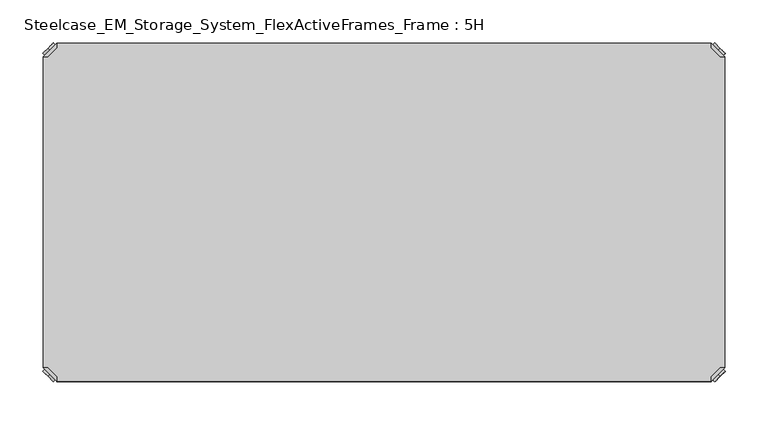
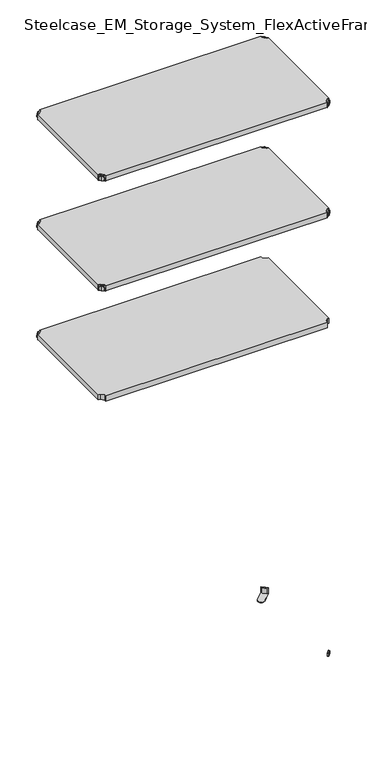
"""IFC4 building model written with IfcOpenShell, lengths in millimetres: furniture geometry, Steelcase_EM_Storage_System_FlexActiveFrames_Frame : 5H."""

from ifc_helpers import new_model, si_unit, frame, origin, place, context, project, spatial, polyline, circle_curve, outline, extrude, source, transform, mapped, element, save
from ifc_brep_helpers import plane_surface, cylinder_surface, advanced_brep


def steelcase_em_storage_system_flexactiveframes_frame_5h_9645780c(model_context):
    return source(origin(), model_context, "Body", "SolidModel", [
        advanced_brep(
        [(10.9601551, -10.9601551, 1298.5), (10.9601551, -10.9601551, 1315.5), (10.9601551, -10.9601551, 1307.0), (8.8388348, -8.8388348, 1298.5), (8.8388348, -8.8388348, 1315.5), (8.8388348, -8.8388348, 1307.0)],
        [
            (0, 1, circle_curve(frame((10.9601551, -10.9601551, 1307.0), z_axis=(0.7071067811865464, -0.7071067811865487, 0.0), x_axis=(0.0, 0.0, 1.0)), 8.5)),
            (1, 2),
            (2, 0),
            (1, 0, circle_curve(frame((10.9601551, -10.9601551, 1307.0), z_axis=(0.7071067811865464, -0.7071067811865487, 0.0), x_axis=(0.0, 0.0, 1.0)), 8.5)),
            (3, 4, circle_curve(frame((8.8388348, -8.8388348, 1307.0), z_axis=(0.7071067811865464, -0.7071067811865487, 0.0), x_axis=(0.0, 0.0, 1.0)), 8.5)),
            (4, 1),
            (0, 3),
            (4, 3, circle_curve(frame((8.8388348, -8.8388348, 1307.0), z_axis=(0.7071067811865464, -0.7071067811865487, 0.0), x_axis=(0.0, 0.0, 1.0)), 8.5)),
            (5, 4),
            (3, 5),
        ],
        [
            plane_surface(frame((10.9601551, -10.9601551, 1307.0), z_axis=(0.707106781186546, -0.7071067811865491, 0.0), x_axis=(0.0, 0.0, 1.0))),
            cylinder_surface(frame((8.8388348, -8.8388348, 1307.0), z_axis=(-0.7071067811865464, 0.7071067811865487, 0.0), x_axis=(0.0, 0.0, 1.0)), 8.5),
            plane_surface(frame((8.8388348, -8.8388348, 1307.0), z_axis=(-0.707106781186546, 0.7071067811865491, 0.0), x_axis=(0.0, 0.0, 1.0))),
        ],
        [
            (0, [[1, 2, 3]]),
            (0, [[4, -3, -2]]),
            (1, [[5, 6, -1, 7]]),
            (1, [[8, -7, -4, -6]]),
            (2, [[9, -5, 10]]),
            (2, [[-10, -8, -9]]),
        ],
    ),
        advanced_brep(
        [(18.9203102, -3.0, 1317.0), (3.0, -18.9203102, 1317.0), (8.6568542, -18.9203102, 1317.0), (18.9203102, -8.6568542, 1317.0), (18.9203102, -3.0, 1298.0), (18.9203102, -3.0, 1297.0), (3.0, -18.9203102, 1297.0), (3.0, -18.9203102, 1298.0), (8.6568542, -18.9203102, 1298.0), (18.9203102, -8.6568542, 1298.0), (31.8093975, -47.7297077, 1298.0), (47.7297077, -31.8093975, 1298.0), (47.7297077, -31.8093975, 1297.0), (31.8093975, -47.7297077, 1297.0)],
        [
            (0, 1),
            (1, 2),
            (2, 3),
            (3, 0),
            (0, 4),
            (4, 5),
            (5, 6),
            (6, 7),
            (7, 1),
            (2, 8),
            (8, 9),
            (9, 3),
            (9, 4),
            (7, 8),
            (7, 10),
            (10, 11, circle_curve(frame((39.7695526, -39.7695526, 1298.0), z_axis=(0.0, 0.0, 1.0), x_axis=(1.0, 0.0, 0.0)), 11.2573593)),
            (11, 4),
            (5, 12),
            (12, 13, circle_curve(frame((39.7695526, -39.7695526, 1297.0), z_axis=(0.0, 0.0, -1.0), x_axis=(1.0, 0.0, 0.0)), 11.2573593)),
            (13, 6),
            (13, 10),
            (12, 11),
        ],
        [
            plane_surface(frame((-38.8756299, -60.7959401, 1317.0), z_axis=(0.0, 0.0, 1.0000000000000002), x_axis=(-0.7071067811865557, -0.7071067811865395, 0.0))),
            plane_surface(frame((18.9203102, -3.0, 1317.0), z_axis=(-0.7071067811865395, 0.7071067811865557, 0.0), x_axis=(0.0, 0.0, -1.0))),
            plane_surface(frame((8.6568542, -18.9203102, 1317.0), z_axis=(0.7071067811865481, -0.7071067811865469, 0.0), x_axis=(0.0, 0.0, -1.0))),
            plane_surface(frame((18.9203102, -8.6568542, 1317.0), z_axis=(1.0, 0.0, 0.0), x_axis=(0.0, 0.0, -1.0))),
            plane_surface(frame((3.0, -18.9203102, 1317.0), z_axis=(0.0, -1.0, 0.0), x_axis=(0.0, 0.0, -1.0))),
            plane_surface(frame((3.0, -18.9203102, 1298.0), z_axis=(0.0, 0.0, 1.0), x_axis=(-0.7071067811865485, -0.7071067811865466, 0.0))),
            plane_surface(frame((3.0, -18.9203102, 1297.0), z_axis=(0.0, 0.0, -1.0), x_axis=(0.7071067811865485, 0.7071067811865466, 0.0))),
            plane_surface(frame((3.0, -18.9203102, 1298.0), z_axis=(-0.7071067811865491, -0.707106781186546, 0.0), x_axis=(0.0, 0.0, -1.0))),
            cylinder_surface(frame((39.7695526, -39.7695526, 1297.0), z_axis=(0.0, 0.0, 1.0), x_axis=(1.0, 0.0, 0.0)), 11.2573593),
            plane_surface(frame((47.7297077, -31.8093975, 1298.0), z_axis=(0.707106781186548, 0.7071067811865471, 0.0), x_axis=(0.0, 0.0, -1.0))),
        ],
        [
            (0, [[1, 2, 3, 4]]),
            (1, [[-1, 5, 6, 7, 8, 9]]),
            (2, [[-3, 10, 11, 12]]),
            (3, [[-4, -12, 13, -5]]),
            (4, [[-2, -9, 14, -10]]),
            (5, [[15, 16, 17, -13, -11, -14]]),
            (6, [[18, 19, 20, -7]]),
            (7, [[-15, -8, -20, 21]]),
            (8, [[-16, -21, -19, 22]]),
            (9, [[-17, -22, -18, -6]]),
        ],
    ),
        extrude(outline(polyline([(781.0796898, -3.0), (781.0796898, -8.6568542), (791.3431458, -18.9203102), (797.0, -18.9203102), (797.0, -381.0796898), (791.3431458, -381.0796898), (781.0796898, -391.3431458), (781.0796898, -397.0), (18.9203102, -397.0), (18.9203102, -391.3431458), (8.6568542, -381.0796898), (3.0, -381.0796898), (3.0, -18.9203102), (8.6568542, -18.9203102), (18.9203102, -8.6568542), (18.9203102, -3.0), (781.0796898, -3.0)])), frame((0.0, 0.0, 1298.0), z_axis=(0.0, 0.0, 1.0), x_axis=(1.0, 0.0, 0.0)), (0.0, 0.0, 1.0), 19.0),
        advanced_brep(
        [(789.0398449, -10.9601551, 1698.5), (789.0398449, -10.9601551, 1707.0), (789.0398449, -10.9601551, 1715.5), (791.1611652, -8.8388348, 1698.5), (791.1611652, -8.8388348, 1715.5), (791.1611652, -8.8388348, 1707.0)],
        [
            (0, 1),
            (1, 2),
            (2, 0, circle_curve(frame((789.0398449, -10.9601551, 1707.0), z_axis=(-0.7071067811865556, -0.7071067811865395, 0.0), x_axis=(0.0, 0.0, 1.0)), 8.5)),
            (0, 2, circle_curve(frame((789.0398449, -10.9601551, 1707.0), z_axis=(-0.7071067811865556, -0.7071067811865395, 0.0), x_axis=(0.0, 0.0, 1.0)), 8.5)),
            (3, 0),
            (2, 4),
            (4, 3, circle_curve(frame((791.1611652, -8.8388348, 1707.0), z_axis=(-0.7071067811865556, -0.7071067811865395, 0.0), x_axis=(0.0, 0.0, 1.0)), 8.5)),
            (3, 4, circle_curve(frame((791.1611652, -8.8388348, 1707.0), z_axis=(-0.7071067811865556, -0.7071067811865395, 0.0), x_axis=(0.0, 0.0, 1.0)), 8.5)),
            (5, 3),
            (4, 5),
        ],
        [
            plane_surface(frame((789.0398449, -10.9601551, 1707.0), z_axis=(-0.7071067811865552, -0.7071067811865399, 0.0), x_axis=(0.0, 0.0, 1.0))),
            cylinder_surface(frame((791.1611652, -8.8388348, 1707.0), z_axis=(0.7071067811865556, 0.7071067811865395, 0.0), x_axis=(0.0, 0.0, 1.0)), 8.5),
            plane_surface(frame((791.1611652, -8.8388348, 1707.0), z_axis=(0.7071067811865552, 0.7071067811865399, 0.0), x_axis=(0.0, 0.0, 1.0))),
        ],
        [
            (0, [[1, 2, 3]]),
            (0, [[-2, -1, 4]]),
            (1, [[5, -3, 6, 7]]),
            (1, [[-6, -4, -5, 8]]),
            (2, [[9, -7, 10]]),
            (2, [[-10, -8, -9]]),
        ],
    ),
        advanced_brep(
        [(781.0796898, -3.0, 1717.0), (781.0796898, -8.6568542, 1717.0), (791.3431458, -18.9203102, 1717.0), (797.0, -18.9203102, 1717.0), (797.0, -18.9203102, 1698.0), (797.0, -18.9203102, 1697.0), (781.0796898, -3.0, 1697.0), (781.0796898, -3.0, 1698.0), (781.0796898, -8.6568542, 1698.0), (791.3431458, -18.9203102, 1698.0), (752.2702923, -31.8093975, 1698.0), (768.1906025, -47.7297077, 1698.0), (768.1906025, -47.7297077, 1697.0), (752.2702923, -31.8093975, 1697.0)],
        [
            (0, 1),
            (1, 2),
            (2, 3),
            (3, 0),
            (3, 4),
            (4, 5),
            (5, 6),
            (6, 7),
            (7, 0),
            (1, 8),
            (8, 9),
            (9, 2),
            (7, 8),
            (9, 4),
            (7, 10),
            (10, 11, circle_curve(frame((760.2304474, -39.7695526, 1698.0), z_axis=(0.0, 0.0, 1.0), x_axis=(-1.0, 0.0, 0.0)), 11.2573593)),
            (11, 4),
            (5, 12),
            (12, 13, circle_curve(frame((760.2304474, -39.7695526, 1697.0), z_axis=(0.0, 0.0, -1.0), x_axis=(-1.0, 0.0, 0.0)), 11.2573593)),
            (13, 6),
            (11, 12),
            (10, 13),
        ],
        [
            plane_surface(frame((838.8756299, -60.7959401, 1717.0), z_axis=(0.0, 0.0, 1.0000000000000002), x_axis=(0.7071067811865465, -0.7071067811865487, 0.0))),
            plane_surface(frame((781.0796898, -3.0, 1717.0), z_axis=(0.7071067811865487, 0.7071067811865465, 0.0), x_axis=(0.0, 0.0, -1.0))),
            plane_surface(frame((791.3431458, -18.9203102, 1717.0), z_axis=(-0.7071067811865573, -0.7071067811865377, 0.0), x_axis=(0.0, 0.0, -1.0))),
            plane_surface(frame((781.0796898, -8.6568542, 1717.0), z_axis=(-1.0, 0.0, 0.0), x_axis=(0.0, 0.0, -1.0))),
            plane_surface(frame((797.0, -18.9203102, 1717.0), z_axis=(0.0, -1.0, 0.0), x_axis=(0.0, 0.0, -1.0))),
            plane_surface(frame((797.0, -18.9203102, 1698.0), z_axis=(0.0, 0.0, 1.0), x_axis=(0.7071067811865392, -0.7071067811865558, 0.0))),
            plane_surface(frame((797.0, -18.9203102, 1697.0), z_axis=(0.0, 0.0, -1.0), x_axis=(-0.7071067811865392, 0.7071067811865558, 0.0))),
            plane_surface(frame((797.0, -18.9203102, 1698.0), z_axis=(0.7071067811865399, -0.7071067811865552, 0.0), x_axis=(0.0, 0.0, -1.0))),
            cylinder_surface(frame((760.2304474, -39.7695526, 1697.0), z_axis=(0.0, 0.0, 1.0), x_axis=(-1.0, 0.0, 0.0)), 11.2573593),
            plane_surface(frame((752.2702923, -31.8093975, 1698.0), z_axis=(-0.7071067811865388, 0.7071067811865563, 0.0), x_axis=(0.0, 0.0, -1.0))),
        ],
        [
            (0, [[1, 2, 3, 4]]),
            (1, [[5, 6, 7, 8, 9, -4]]),
            (2, [[10, 11, 12, -2]]),
            (3, [[-9, 13, -10, -1]]),
            (4, [[-12, 14, -5, -3]]),
            (5, [[-14, -11, -13, 15, 16, 17]]),
            (6, [[-7, 18, 19, 20]]),
            (7, [[21, -18, -6, -17]]),
            (8, [[22, -19, -21, -16]]),
            (9, [[-8, -20, -22, -15]]),
        ],
    ),
        advanced_brep(
        [(789.0398449, -389.0398449, 1698.5), (789.0398449, -389.0398449, 1715.5), (789.0398449, -389.0398449, 1707.0), (791.1611652, -391.1611652, 1698.5), (791.1611652, -391.1611652, 1715.5), (791.1611652, -391.1611652, 1707.0)],
        [
            (0, 1, circle_curve(frame((789.0398449, -389.0398449, 1707.0), z_axis=(-0.7071067811865509, 0.7071067811865441, 0.0), x_axis=(0.0, 0.0, 1.0)), 8.5)),
            (1, 2),
            (2, 0),
            (1, 0, circle_curve(frame((789.0398449, -389.0398449, 1707.0), z_axis=(-0.7071067811865509, 0.7071067811865441, 0.0), x_axis=(0.0, 0.0, 1.0)), 8.5)),
            (3, 4, circle_curve(frame((791.1611652, -391.1611652, 1707.0), z_axis=(-0.7071067811865509, 0.7071067811865441, 0.0), x_axis=(0.0, 0.0, 1.0)), 8.5)),
            (4, 1),
            (0, 3),
            (4, 3, circle_curve(frame((791.1611652, -391.1611652, 1707.0), z_axis=(-0.7071067811865509, 0.7071067811865441, 0.0), x_axis=(0.0, 0.0, 1.0)), 8.5)),
            (5, 4),
            (3, 5),
        ],
        [
            plane_surface(frame((789.0398449, -389.0398449, 1707.0), z_axis=(-0.7071067811865506, 0.7071067811865446, 0.0), x_axis=(0.0, 0.0, 1.0))),
            cylinder_surface(frame((791.1611652, -391.1611652, 1707.0), z_axis=(0.7071067811865509, -0.7071067811865441, 0.0), x_axis=(0.0, 0.0, 1.0)), 8.5),
            plane_surface(frame((791.1611652, -391.1611652, 1707.0), z_axis=(0.7071067811865506, -0.7071067811865446, 0.0), x_axis=(0.0, 0.0, 1.0))),
        ],
        [
            (0, [[1, 2, 3]]),
            (0, [[4, -3, -2]]),
            (1, [[5, 6, -1, 7]]),
            (1, [[8, -7, -4, -6]]),
            (2, [[9, -5, 10]]),
            (2, [[-10, -8, -9]]),
        ],
    ),
        advanced_brep(
        [(781.0796898, -397.0, 1717.0), (797.0, -381.0796898, 1717.0), (791.3431458, -381.0796898, 1717.0), (781.0796898, -391.3431458, 1717.0), (781.0796898, -397.0, 1698.0), (781.0796898, -397.0, 1697.0), (797.0, -381.0796898, 1697.0), (797.0, -381.0796898, 1698.0), (791.3431458, -381.0796898, 1698.0), (781.0796898, -391.3431458, 1698.0), (768.1906025, -352.2702923, 1698.0), (752.2702923, -368.1906025, 1698.0), (752.2702923, -368.1906025, 1697.0), (768.1906025, -352.2702923, 1697.0)],
        [
            (0, 1),
            (1, 2),
            (2, 3),
            (3, 0),
            (0, 4),
            (4, 5),
            (5, 6),
            (6, 7),
            (7, 1),
            (2, 8),
            (8, 9),
            (9, 3),
            (9, 4),
            (7, 8),
            (7, 10),
            (10, 11, circle_curve(frame((760.2304474, -360.2304474, 1698.0), z_axis=(0.0, 0.0, 1.0), x_axis=(-1.0, 0.0, 0.0)), 11.2573593)),
            (11, 4),
            (5, 12),
            (12, 13, circle_curve(frame((760.2304474, -360.2304474, 1697.0), z_axis=(0.0, 0.0, -1.0), x_axis=(-1.0, 0.0, 0.0)), 11.2573593)),
            (13, 6),
            (13, 10),
            (12, 11),
        ],
        [
            plane_surface(frame((838.8756299, -339.2040599, 1717.0), z_axis=(0.0, 0.0, 1.0000000000000002), x_axis=(0.7071067811865511, 0.707106781186544, 0.0))),
            plane_surface(frame((781.0796898, -397.0, 1717.0), z_axis=(0.707106781186544, -0.7071067811865511, 0.0), x_axis=(0.0, 0.0, -1.0))),
            plane_surface(frame((791.3431458, -381.0796898, 1717.0), z_axis=(-0.7071067811865527, 0.7071067811865424, 0.0), x_axis=(0.0, 0.0, -1.0))),
            plane_surface(frame((781.0796898, -391.3431458, 1717.0), z_axis=(-1.0, 0.0, 0.0), x_axis=(0.0, 0.0, -1.0))),
            plane_surface(frame((797.0, -381.0796898, 1717.0), z_axis=(0.0, 1.0, 0.0), x_axis=(0.0, 0.0, -1.0))),
            plane_surface(frame((797.0, -381.0796898, 1698.0), z_axis=(0.0, 0.0, 1.0), x_axis=(0.7071067811865439, 0.7071067811865511, 0.0))),
            plane_surface(frame((797.0, -381.0796898, 1697.0), z_axis=(0.0, 0.0, -1.0), x_axis=(-0.7071067811865439, -0.7071067811865511, 0.0))),
            plane_surface(frame((797.0, -381.0796898, 1698.0), z_axis=(0.7071067811865446, 0.7071067811865506, 0.0), x_axis=(0.0, 0.0, -1.0))),
            cylinder_surface(frame((760.2304474, -360.2304474, 1697.0), z_axis=(0.0, 0.0, 1.0), x_axis=(-1.0, 0.0, 0.0)), 11.2573593),
            plane_surface(frame((752.2702923, -368.1906025, 1698.0), z_axis=(-0.7071067811865435, -0.7071067811865517, 0.0), x_axis=(0.0, 0.0, -1.0))),
        ],
        [
            (0, [[1, 2, 3, 4]]),
            (1, [[-1, 5, 6, 7, 8, 9]]),
            (2, [[-3, 10, 11, 12]]),
            (3, [[-4, -12, 13, -5]]),
            (4, [[-2, -9, 14, -10]]),
            (5, [[15, 16, 17, -13, -11, -14]]),
            (6, [[18, 19, 20, -7]]),
            (7, [[-15, -8, -20, 21]]),
            (8, [[-16, -21, -19, 22]]),
            (9, [[-17, -22, -18, -6]]),
        ],
    ),
        advanced_brep(
        [(10.9601551, -389.0398449, 1698.5), (10.9601551, -389.0398449, 1707.0), (10.9601551, -389.0398449, 1715.5), (8.8388348, -391.1611652, 1698.5), (8.8388348, -391.1611652, 1715.5), (8.8388348, -391.1611652, 1707.0)],
        [
            (0, 1),
            (1, 2),
            (2, 0, circle_curve(frame((10.9601551, -389.0398449, 1707.0), z_axis=(0.7071067811865509, 0.7071067811865441, 0.0), x_axis=(0.0, 0.0, 1.0)), 8.5)),
            (0, 2, circle_curve(frame((10.9601551, -389.0398449, 1707.0), z_axis=(0.7071067811865509, 0.7071067811865441, 0.0), x_axis=(0.0, 0.0, 1.0)), 8.5)),
            (3, 0),
            (2, 4),
            (4, 3, circle_curve(frame((8.8388348, -391.1611652, 1707.0), z_axis=(0.7071067811865509, 0.7071067811865441, 0.0), x_axis=(0.0, 0.0, 1.0)), 8.5)),
            (3, 4, circle_curve(frame((8.8388348, -391.1611652, 1707.0), z_axis=(0.7071067811865509, 0.7071067811865441, 0.0), x_axis=(0.0, 0.0, 1.0)), 8.5)),
            (5, 3),
            (4, 5),
        ],
        [
            plane_surface(frame((10.9601551, -389.0398449, 1707.0), z_axis=(0.7071067811865506, 0.7071067811865446, 0.0), x_axis=(0.0, 0.0, 1.0))),
            cylinder_surface(frame((8.8388348, -391.1611652, 1707.0), z_axis=(-0.7071067811865509, -0.7071067811865441, 0.0), x_axis=(0.0, 0.0, 1.0)), 8.5),
            plane_surface(frame((8.8388348, -391.1611652, 1707.0), z_axis=(-0.7071067811865506, -0.7071067811865446, 0.0), x_axis=(0.0, 0.0, 1.0))),
        ],
        [
            (0, [[1, 2, 3]]),
            (0, [[-2, -1, 4]]),
            (1, [[5, -3, 6, 7]]),
            (1, [[-6, -4, -5, 8]]),
            (2, [[9, -7, 10]]),
            (2, [[-10, -8, -9]]),
        ],
    ),
        advanced_brep(
        [(18.9203102, -397.0, 1717.0), (18.9203102, -391.3431458, 1717.0), (8.6568542, -381.0796898, 1717.0), (3.0, -381.0796898, 1717.0), (3.0, -381.0796898, 1698.0), (3.0, -381.0796898, 1697.0), (18.9203102, -397.0, 1697.0), (18.9203102, -397.0, 1698.0), (18.9203102, -391.3431458, 1698.0), (8.6568542, -381.0796898, 1698.0), (47.7297077, -368.1906025, 1698.0), (31.8093975, -352.2702923, 1698.0), (31.8093975, -352.2702923, 1697.0), (47.7297077, -368.1906025, 1697.0)],
        [
            (0, 1),
            (1, 2),
            (2, 3),
            (3, 0),
            (3, 4),
            (4, 5),
            (5, 6),
            (6, 7),
            (7, 0),
            (1, 8),
            (8, 9),
            (9, 2),
            (7, 8),
            (9, 4),
            (7, 10),
            (10, 11, circle_curve(frame((39.7695526, -360.2304474, 1698.0), z_axis=(0.0, 0.0, 1.0), x_axis=(1.0, 0.0, 0.0)), 11.2573593)),
            (11, 4),
            (5, 12),
            (12, 13, circle_curve(frame((39.7695526, -360.2304474, 1697.0), z_axis=(0.0, 0.0, -1.0), x_axis=(1.0, 0.0, 0.0)), 11.2573593)),
            (13, 6),
            (11, 12),
            (10, 13),
        ],
        [
            plane_surface(frame((-38.8756299, -339.2040599, 1717.0), z_axis=(0.0, 0.0, 1.0000000000000002), x_axis=(-0.7071067811865511, 0.707106781186544, 0.0))),
            plane_surface(frame((18.9203102, -397.0, 1717.0), z_axis=(-0.707106781186544, -0.7071067811865511, 0.0), x_axis=(0.0, 0.0, -1.0))),
            plane_surface(frame((8.6568542, -381.0796898, 1717.0), z_axis=(0.7071067811865527, 0.7071067811865424, 0.0), x_axis=(0.0, 0.0, -1.0))),
            plane_surface(frame((18.9203102, -391.3431458, 1717.0), z_axis=(1.0, 0.0, 0.0), x_axis=(0.0, 0.0, -1.0))),
            plane_surface(frame((3.0, -381.0796898, 1717.0), z_axis=(0.0, 1.0, 0.0), x_axis=(0.0, 0.0, -1.0))),
            plane_surface(frame((3.0, -381.0796898, 1698.0), z_axis=(0.0, 0.0, 1.0), x_axis=(-0.7071067811865439, 0.7071067811865511, 0.0))),
            plane_surface(frame((3.0, -381.0796898, 1697.0), z_axis=(0.0, 0.0, -1.0), x_axis=(0.7071067811865439, -0.7071067811865511, 0.0))),
            plane_surface(frame((3.0, -381.0796898, 1698.0), z_axis=(-0.7071067811865446, 0.7071067811865506, 0.0), x_axis=(0.0, 0.0, -1.0))),
            cylinder_surface(frame((39.7695526, -360.2304474, 1697.0), z_axis=(0.0, 0.0, 1.0), x_axis=(1.0, 0.0, 0.0)), 11.2573593),
            plane_surface(frame((47.7297077, -368.1906025, 1698.0), z_axis=(0.7071067811865435, -0.7071067811865517, 0.0), x_axis=(0.0, 0.0, -1.0))),
        ],
        [
            (0, [[1, 2, 3, 4]]),
            (1, [[5, 6, 7, 8, 9, -4]]),
            (2, [[10, 11, 12, -2]]),
            (3, [[-9, 13, -10, -1]]),
            (4, [[-12, 14, -5, -3]]),
            (5, [[-14, -11, -13, 15, 16, 17]]),
            (6, [[-7, 18, 19, 20]]),
            (7, [[21, -18, -6, -17]]),
            (8, [[22, -19, -21, -16]]),
            (9, [[-8, -20, -22, -15]]),
        ],
    ),
        advanced_brep(
        [(10.9601551, -10.9601551, 1698.5), (10.9601551, -10.9601551, 1715.5), (10.9601551, -10.9601551, 1707.0), (8.8388348, -8.8388348, 1698.5), (8.8388348, -8.8388348, 1715.5), (8.8388348, -8.8388348, 1707.0)],
        [
            (0, 1, circle_curve(frame((10.9601551, -10.9601551, 1707.0), z_axis=(0.7071067811865464, -0.7071067811865487, 0.0), x_axis=(0.0, 0.0, 1.0)), 8.5)),
            (1, 2),
            (2, 0),
            (1, 0, circle_curve(frame((10.9601551, -10.9601551, 1707.0), z_axis=(0.7071067811865464, -0.7071067811865487, 0.0), x_axis=(0.0, 0.0, 1.0)), 8.5)),
            (3, 4, circle_curve(frame((8.8388348, -8.8388348, 1707.0), z_axis=(0.7071067811865464, -0.7071067811865487, 0.0), x_axis=(0.0, 0.0, 1.0)), 8.5)),
            (4, 1),
            (0, 3),
            (4, 3, circle_curve(frame((8.8388348, -8.8388348, 1707.0), z_axis=(0.7071067811865464, -0.7071067811865487, 0.0), x_axis=(0.0, 0.0, 1.0)), 8.5)),
            (5, 4),
            (3, 5),
        ],
        [
            plane_surface(frame((10.9601551, -10.9601551, 1707.0), z_axis=(0.707106781186546, -0.7071067811865491, 0.0), x_axis=(0.0, 0.0, 1.0))),
            cylinder_surface(frame((8.8388348, -8.8388348, 1707.0), z_axis=(-0.7071067811865464, 0.7071067811865487, 0.0), x_axis=(0.0, 0.0, 1.0)), 8.5),
            plane_surface(frame((8.8388348, -8.8388348, 1707.0), z_axis=(-0.707106781186546, 0.7071067811865491, 0.0), x_axis=(0.0, 0.0, 1.0))),
        ],
        [
            (0, [[1, 2, 3]]),
            (0, [[4, -3, -2]]),
            (1, [[5, 6, -1, 7]]),
            (1, [[8, -7, -4, -6]]),
            (2, [[9, -5, 10]]),
            (2, [[-10, -8, -9]]),
        ],
    ),
        advanced_brep(
        [(18.9203102, -3.0, 1717.0), (3.0, -18.9203102, 1717.0), (8.6568542, -18.9203102, 1717.0), (18.9203102, -8.6568542, 1717.0), (18.9203102, -3.0, 1698.0), (18.9203102, -3.0, 1697.0), (3.0, -18.9203102, 1697.0), (3.0, -18.9203102, 1698.0), (8.6568542, -18.9203102, 1698.0), (18.9203102, -8.6568542, 1698.0), (31.8093975, -47.7297077, 1698.0), (47.7297077, -31.8093975, 1698.0), (47.7297077, -31.8093975, 1697.0), (31.8093975, -47.7297077, 1697.0)],
        [
            (0, 1),
            (1, 2),
            (2, 3),
            (3, 0),
            (0, 4),
            (4, 5),
            (5, 6),
            (6, 7),
            (7, 1),
            (2, 8),
            (8, 9),
            (9, 3),
            (9, 4),
            (7, 8),
            (7, 10),
            (10, 11, circle_curve(frame((39.7695526, -39.7695526, 1698.0), z_axis=(0.0, 0.0, 1.0), x_axis=(1.0, 0.0, 0.0)), 11.2573593)),
            (11, 4),
            (5, 12),
            (12, 13, circle_curve(frame((39.7695526, -39.7695526, 1697.0), z_axis=(0.0, 0.0, -1.0), x_axis=(1.0, 0.0, 0.0)), 11.2573593)),
            (13, 6),
            (13, 10),
            (12, 11),
        ],
        [
            plane_surface(frame((-38.8756299, -60.7959401, 1717.0), z_axis=(0.0, 0.0, 1.0000000000000002), x_axis=(-0.7071067811865557, -0.7071067811865395, 0.0))),
            plane_surface(frame((18.9203102, -3.0, 1717.0), z_axis=(-0.7071067811865395, 0.7071067811865557, 0.0), x_axis=(0.0, 0.0, -1.0))),
            plane_surface(frame((8.6568542, -18.9203102, 1717.0), z_axis=(0.7071067811865481, -0.7071067811865469, 0.0), x_axis=(0.0, 0.0, -1.0))),
            plane_surface(frame((18.9203102, -8.6568542, 1717.0), z_axis=(1.0, 0.0, 0.0), x_axis=(0.0, 0.0, -1.0))),
            plane_surface(frame((3.0, -18.9203102, 1717.0), z_axis=(0.0, -1.0, 0.0), x_axis=(0.0, 0.0, -1.0))),
            plane_surface(frame((3.0, -18.9203102, 1698.0), z_axis=(0.0, 0.0, 1.0), x_axis=(-0.7071067811865485, -0.7071067811865466, 0.0))),
            plane_surface(frame((3.0, -18.9203102, 1697.0), z_axis=(0.0, 0.0, -1.0), x_axis=(0.7071067811865485, 0.7071067811865466, 0.0))),
            plane_surface(frame((3.0, -18.9203102, 1698.0), z_axis=(-0.7071067811865491, -0.707106781186546, 0.0), x_axis=(0.0, 0.0, -1.0))),
            cylinder_surface(frame((39.7695526, -39.7695526, 1697.0), z_axis=(0.0, 0.0, 1.0), x_axis=(1.0, 0.0, 0.0)), 11.2573593),
            plane_surface(frame((47.7297077, -31.8093975, 1698.0), z_axis=(0.707106781186548, 0.7071067811865471, 0.0), x_axis=(0.0, 0.0, -1.0))),
        ],
        [
            (0, [[1, 2, 3, 4]]),
            (1, [[-1, 5, 6, 7, 8, 9]]),
            (2, [[-3, 10, 11, 12]]),
            (3, [[-4, -12, 13, -5]]),
            (4, [[-2, -9, 14, -10]]),
            (5, [[15, 16, 17, -13, -11, -14]]),
            (6, [[18, 19, 20, -7]]),
            (7, [[-15, -8, -20, 21]]),
            (8, [[-16, -21, -19, 22]]),
            (9, [[-17, -22, -18, -6]]),
        ],
    ),
        extrude(outline(polyline([(781.0796898, -3.0), (781.0796898, -8.6568542), (791.3431458, -18.9203102), (797.0, -18.9203102), (797.0, -381.0796898), (791.3431458, -381.0796898), (781.0796898, -391.3431458), (781.0796898, -397.0), (18.9203102, -397.0), (18.9203102, -391.3431458), (8.6568542, -381.0796898), (3.0, -381.0796898), (3.0, -18.9203102), (8.6568542, -18.9203102), (18.9203102, -8.6568542), (18.9203102, -3.0), (781.0796898, -3.0)])), frame((0.0, 0.0, 1698.0), z_axis=(0.0, 0.0, 1.0), x_axis=(1.0, 0.0, 0.0)), (0.0, 0.0, 1.0), 19.0),
        advanced_brep(
        [(789.0398449, -10.9601551, 2098.5), (789.0398449, -10.9601551, 2107.0), (789.0398449, -10.9601551, 2115.5), (791.1611652, -8.8388348, 2098.5), (791.1611652, -8.8388348, 2115.5), (791.1611652, -8.8388348, 2107.0)],
        [
            (0, 1),
            (1, 2),
            (2, 0, circle_curve(frame((789.0398449, -10.9601551, 2107.0), z_axis=(-0.7071067811865556, -0.7071067811865395, 0.0), x_axis=(0.0, 0.0, 1.0)), 8.5)),
            (0, 2, circle_curve(frame((789.0398449, -10.9601551, 2107.0), z_axis=(-0.7071067811865556, -0.7071067811865395, 0.0), x_axis=(0.0, 0.0, 1.0)), 8.5)),
            (3, 0),
            (2, 4),
            (4, 3, circle_curve(frame((791.1611652, -8.8388348, 2107.0), z_axis=(-0.7071067811865556, -0.7071067811865395, 0.0), x_axis=(0.0, 0.0, 1.0)), 8.5)),
            (3, 4, circle_curve(frame((791.1611652, -8.8388348, 2107.0), z_axis=(-0.7071067811865556, -0.7071067811865395, 0.0), x_axis=(0.0, 0.0, 1.0)), 8.5)),
            (5, 3),
            (4, 5),
        ],
        [
            plane_surface(frame((789.0398449, -10.9601551, 2107.0), z_axis=(-0.7071067811865552, -0.7071067811865399, 0.0), x_axis=(0.0, 0.0, 1.0))),
            cylinder_surface(frame((791.1611652, -8.8388348, 2107.0), z_axis=(0.7071067811865556, 0.7071067811865395, 0.0), x_axis=(0.0, 0.0, 1.0)), 8.5),
            plane_surface(frame((791.1611652, -8.8388348, 2107.0), z_axis=(0.7071067811865552, 0.7071067811865399, 0.0), x_axis=(0.0, 0.0, 1.0))),
        ],
        [
            (0, [[1, 2, 3]]),
            (0, [[-2, -1, 4]]),
            (1, [[5, -3, 6, 7]]),
            (1, [[-6, -4, -5, 8]]),
            (2, [[9, -7, 10]]),
            (2, [[-10, -8, -9]]),
        ],
    ),
        advanced_brep(
        [(781.0796898, -3.0, 2117.0), (781.0796898, -8.6568542, 2117.0), (791.3431458, -18.9203102, 2117.0), (797.0, -18.9203102, 2117.0), (797.0, -18.9203102, 2098.0), (797.0, -18.9203102, 2097.0), (781.0796898, -3.0, 2097.0), (781.0796898, -3.0, 2098.0), (781.0796898, -8.6568542, 2098.0), (791.3431458, -18.9203102, 2098.0), (752.2702923, -31.8093975, 2098.0), (768.1906025, -47.7297077, 2098.0), (768.1906025, -47.7297077, 2097.0), (752.2702923, -31.8093975, 2097.0)],
        [
            (0, 1),
            (1, 2),
            (2, 3),
            (3, 0),
            (3, 4),
            (4, 5),
            (5, 6),
            (6, 7),
            (7, 0),
            (1, 8),
            (8, 9),
            (9, 2),
            (7, 8),
            (9, 4),
            (7, 10),
            (10, 11, circle_curve(frame((760.2304474, -39.7695526, 2098.0), z_axis=(0.0, 0.0, 1.0), x_axis=(-1.0, 0.0, 0.0)), 11.2573593)),
            (11, 4),
            (5, 12),
            (12, 13, circle_curve(frame((760.2304474, -39.7695526, 2097.0), z_axis=(0.0, 0.0, -1.0), x_axis=(-1.0, 0.0, 0.0)), 11.2573593)),
            (13, 6),
            (11, 12),
            (10, 13),
        ],
        [
            plane_surface(frame((838.8756299, -60.7959401, 2117.0), z_axis=(0.0, 0.0, 1.0000000000000002), x_axis=(0.7071067811865465, -0.7071067811865487, 0.0))),
            plane_surface(frame((781.0796898, -3.0, 2117.0), z_axis=(0.7071067811865487, 0.7071067811865465, 0.0), x_axis=(0.0, 0.0, -1.0))),
            plane_surface(frame((791.3431458, -18.9203102, 2117.0), z_axis=(-0.7071067811865573, -0.7071067811865377, 0.0), x_axis=(0.0, 0.0, -1.0))),
            plane_surface(frame((781.0796898, -8.6568542, 2117.0), z_axis=(-1.0, 0.0, 0.0), x_axis=(0.0, 0.0, -1.0))),
            plane_surface(frame((797.0, -18.9203102, 2117.0), z_axis=(0.0, -1.0, 0.0), x_axis=(0.0, 0.0, -1.0))),
            plane_surface(frame((797.0, -18.9203102, 2098.0), z_axis=(0.0, 0.0, 1.0), x_axis=(0.7071067811865392, -0.7071067811865558, 0.0))),
            plane_surface(frame((797.0, -18.9203102, 2097.0), z_axis=(0.0, 0.0, -1.0), x_axis=(-0.7071067811865392, 0.7071067811865558, 0.0))),
            plane_surface(frame((797.0, -18.9203102, 2098.0), z_axis=(0.7071067811865399, -0.7071067811865552, 0.0), x_axis=(0.0, 0.0, -1.0))),
            cylinder_surface(frame((760.2304474, -39.7695526, 2097.0), z_axis=(0.0, 0.0, 1.0), x_axis=(-1.0, 0.0, 0.0)), 11.2573593),
            plane_surface(frame((752.2702923, -31.8093975, 2098.0), z_axis=(-0.7071067811865388, 0.7071067811865563, 0.0), x_axis=(0.0, 0.0, -1.0))),
        ],
        [
            (0, [[1, 2, 3, 4]]),
            (1, [[5, 6, 7, 8, 9, -4]]),
            (2, [[10, 11, 12, -2]]),
            (3, [[-9, 13, -10, -1]]),
            (4, [[-12, 14, -5, -3]]),
            (5, [[-14, -11, -13, 15, 16, 17]]),
            (6, [[-7, 18, 19, 20]]),
            (7, [[21, -18, -6, -17]]),
            (8, [[22, -19, -21, -16]]),
            (9, [[-8, -20, -22, -15]]),
        ],
    ),
        advanced_brep(
        [(789.0398449, -389.0398449, 2098.5), (789.0398449, -389.0398449, 2115.5), (789.0398449, -389.0398449, 2107.0), (791.1611652, -391.1611652, 2098.5), (791.1611652, -391.1611652, 2115.5), (791.1611652, -391.1611652, 2107.0)],
        [
            (0, 1, circle_curve(frame((789.0398449, -389.0398449, 2107.0), z_axis=(-0.7071067811865509, 0.7071067811865441, 0.0), x_axis=(0.0, 0.0, 1.0)), 8.5)),
            (1, 2),
            (2, 0),
            (1, 0, circle_curve(frame((789.0398449, -389.0398449, 2107.0), z_axis=(-0.7071067811865509, 0.7071067811865441, 0.0), x_axis=(0.0, 0.0, 1.0)), 8.5)),
            (3, 4, circle_curve(frame((791.1611652, -391.1611652, 2107.0), z_axis=(-0.7071067811865509, 0.7071067811865441, 0.0), x_axis=(0.0, 0.0, 1.0)), 8.5)),
            (4, 1),
            (0, 3),
            (4, 3, circle_curve(frame((791.1611652, -391.1611652, 2107.0), z_axis=(-0.7071067811865509, 0.7071067811865441, 0.0), x_axis=(0.0, 0.0, 1.0)), 8.5)),
            (5, 4),
            (3, 5),
        ],
        [
            plane_surface(frame((789.0398449, -389.0398449, 2107.0), z_axis=(-0.7071067811865506, 0.7071067811865446, 0.0), x_axis=(0.0, 0.0, 1.0))),
            cylinder_surface(frame((791.1611652, -391.1611652, 2107.0), z_axis=(0.7071067811865509, -0.7071067811865441, 0.0), x_axis=(0.0, 0.0, 1.0)), 8.5),
            plane_surface(frame((791.1611652, -391.1611652, 2107.0), z_axis=(0.7071067811865506, -0.7071067811865446, 0.0), x_axis=(0.0, 0.0, 1.0))),
        ],
        [
            (0, [[1, 2, 3]]),
            (0, [[4, -3, -2]]),
            (1, [[5, 6, -1, 7]]),
            (1, [[8, -7, -4, -6]]),
            (2, [[9, -5, 10]]),
            (2, [[-10, -8, -9]]),
        ],
    ),
        advanced_brep(
        [(781.0796898, -397.0, 2117.0), (797.0, -381.0796898, 2117.0), (791.3431458, -381.0796898, 2117.0), (781.0796898, -391.3431458, 2117.0), (781.0796898, -397.0, 2098.0), (781.0796898, -397.0, 2097.0), (797.0, -381.0796898, 2097.0), (797.0, -381.0796898, 2098.0), (791.3431458, -381.0796898, 2098.0), (781.0796898, -391.3431458, 2098.0), (768.1906025, -352.2702923, 2098.0), (752.2702923, -368.1906025, 2098.0), (752.2702923, -368.1906025, 2097.0), (768.1906025, -352.2702923, 2097.0)],
        [
            (0, 1),
            (1, 2),
            (2, 3),
            (3, 0),
            (0, 4),
            (4, 5),
            (5, 6),
            (6, 7),
            (7, 1),
            (2, 8),
            (8, 9),
            (9, 3),
            (9, 4),
            (7, 8),
            (7, 10),
            (10, 11, circle_curve(frame((760.2304474, -360.2304474, 2098.0), z_axis=(0.0, 0.0, 1.0), x_axis=(-1.0, 0.0, 0.0)), 11.2573593)),
            (11, 4),
            (5, 12),
            (12, 13, circle_curve(frame((760.2304474, -360.2304474, 2097.0), z_axis=(0.0, 0.0, -1.0), x_axis=(-1.0, 0.0, 0.0)), 11.2573593)),
            (13, 6),
            (13, 10),
            (12, 11),
        ],
        [
            plane_surface(frame((838.8756299, -339.2040599, 2117.0), z_axis=(0.0, 0.0, 1.0000000000000002), x_axis=(0.7071067811865511, 0.707106781186544, 0.0))),
            plane_surface(frame((781.0796898, -397.0, 2117.0), z_axis=(0.707106781186544, -0.7071067811865511, 0.0), x_axis=(0.0, 0.0, -1.0))),
            plane_surface(frame((791.3431458, -381.0796898, 2117.0), z_axis=(-0.7071067811865527, 0.7071067811865424, 0.0), x_axis=(0.0, 0.0, -1.0))),
            plane_surface(frame((781.0796898, -391.3431458, 2117.0), z_axis=(-1.0, 0.0, 0.0), x_axis=(0.0, 0.0, -1.0))),
            plane_surface(frame((797.0, -381.0796898, 2117.0), z_axis=(0.0, 1.0, 0.0), x_axis=(0.0, 0.0, -1.0))),
            plane_surface(frame((797.0, -381.0796898, 2098.0), z_axis=(0.0, 0.0, 1.0), x_axis=(0.7071067811865439, 0.7071067811865511, 0.0))),
            plane_surface(frame((797.0, -381.0796898, 2097.0), z_axis=(0.0, 0.0, -1.0), x_axis=(-0.7071067811865439, -0.7071067811865511, 0.0))),
            plane_surface(frame((797.0, -381.0796898, 2098.0), z_axis=(0.7071067811865446, 0.7071067811865506, 0.0), x_axis=(0.0, 0.0, -1.0))),
            cylinder_surface(frame((760.2304474, -360.2304474, 2097.0), z_axis=(0.0, 0.0, 1.0), x_axis=(-1.0, 0.0, 0.0)), 11.2573593),
            plane_surface(frame((752.2702923, -368.1906025, 2098.0), z_axis=(-0.7071067811865435, -0.7071067811865517, 0.0), x_axis=(0.0, 0.0, -1.0))),
        ],
        [
            (0, [[1, 2, 3, 4]]),
            (1, [[-1, 5, 6, 7, 8, 9]]),
            (2, [[-3, 10, 11, 12]]),
            (3, [[-4, -12, 13, -5]]),
            (4, [[-2, -9, 14, -10]]),
            (5, [[15, 16, 17, -13, -11, -14]]),
            (6, [[18, 19, 20, -7]]),
            (7, [[-15, -8, -20, 21]]),
            (8, [[-16, -21, -19, 22]]),
            (9, [[-17, -22, -18, -6]]),
        ],
    ),
        advanced_brep(
        [(10.9601551, -389.0398449, 2098.5), (10.9601551, -389.0398449, 2107.0), (10.9601551, -389.0398449, 2115.5), (8.8388348, -391.1611652, 2098.5), (8.8388348, -391.1611652, 2115.5), (8.8388348, -391.1611652, 2107.0)],
        [
            (0, 1),
            (1, 2),
            (2, 0, circle_curve(frame((10.9601551, -389.0398449, 2107.0), z_axis=(0.7071067811865509, 0.7071067811865441, 0.0), x_axis=(0.0, 0.0, 1.0)), 8.5)),
            (0, 2, circle_curve(frame((10.9601551, -389.0398449, 2107.0), z_axis=(0.7071067811865509, 0.7071067811865441, 0.0), x_axis=(0.0, 0.0, 1.0)), 8.5)),
            (3, 0),
            (2, 4),
            (4, 3, circle_curve(frame((8.8388348, -391.1611652, 2107.0), z_axis=(0.7071067811865509, 0.7071067811865441, 0.0), x_axis=(0.0, 0.0, 1.0)), 8.5)),
            (3, 4, circle_curve(frame((8.8388348, -391.1611652, 2107.0), z_axis=(0.7071067811865509, 0.7071067811865441, 0.0), x_axis=(0.0, 0.0, 1.0)), 8.5)),
            (5, 3),
            (4, 5),
        ],
        [
            plane_surface(frame((10.9601551, -389.0398449, 2107.0), z_axis=(0.7071067811865506, 0.7071067811865446, 0.0), x_axis=(0.0, 0.0, 1.0))),
            cylinder_surface(frame((8.8388348, -391.1611652, 2107.0), z_axis=(-0.7071067811865509, -0.7071067811865441, 0.0), x_axis=(0.0, 0.0, 1.0)), 8.5),
            plane_surface(frame((8.8388348, -391.1611652, 2107.0), z_axis=(-0.7071067811865506, -0.7071067811865446, 0.0), x_axis=(0.0, 0.0, 1.0))),
        ],
        [
            (0, [[1, 2, 3]]),
            (0, [[-2, -1, 4]]),
            (1, [[5, -3, 6, 7]]),
            (1, [[-6, -4, -5, 8]]),
            (2, [[9, -7, 10]]),
            (2, [[-10, -8, -9]]),
        ],
    ),
        advanced_brep(
        [(18.9203102, -397.0, 2117.0), (18.9203102, -391.3431458, 2117.0), (8.6568542, -381.0796898, 2117.0), (3.0, -381.0796898, 2117.0), (3.0, -381.0796898, 2098.0), (3.0, -381.0796898, 2097.0), (18.9203102, -397.0, 2097.0), (18.9203102, -397.0, 2098.0), (18.9203102, -391.3431458, 2098.0), (8.6568542, -381.0796898, 2098.0), (47.7297077, -368.1906025, 2098.0), (31.8093975, -352.2702923, 2098.0), (31.8093975, -352.2702923, 2097.0), (47.7297077, -368.1906025, 2097.0)],
        [
            (0, 1),
            (1, 2),
            (2, 3),
            (3, 0),
            (3, 4),
            (4, 5),
            (5, 6),
            (6, 7),
            (7, 0),
            (1, 8),
            (8, 9),
            (9, 2),
            (7, 8),
            (9, 4),
            (7, 10),
            (10, 11, circle_curve(frame((39.7695526, -360.2304474, 2098.0), z_axis=(0.0, 0.0, 1.0), x_axis=(1.0, 0.0, 0.0)), 11.2573593)),
            (11, 4),
            (5, 12),
            (12, 13, circle_curve(frame((39.7695526, -360.2304474, 2097.0), z_axis=(0.0, 0.0, -1.0), x_axis=(1.0, 0.0, 0.0)), 11.2573593)),
            (13, 6),
            (11, 12),
            (10, 13),
        ],
        [
            plane_surface(frame((-38.8756299, -339.2040599, 2117.0), z_axis=(0.0, 0.0, 1.0000000000000002), x_axis=(-0.7071067811865511, 0.707106781186544, 0.0))),
            plane_surface(frame((18.9203102, -397.0, 2117.0), z_axis=(-0.707106781186544, -0.7071067811865511, 0.0), x_axis=(0.0, 0.0, -1.0))),
            plane_surface(frame((8.6568542, -381.0796898, 2117.0), z_axis=(0.7071067811865527, 0.7071067811865424, 0.0), x_axis=(0.0, 0.0, -1.0))),
            plane_surface(frame((18.9203102, -391.3431458, 2117.0), z_axis=(1.0, 0.0, 0.0), x_axis=(0.0, 0.0, -1.0))),
            plane_surface(frame((3.0, -381.0796898, 2117.0), z_axis=(0.0, 1.0, 0.0), x_axis=(0.0, 0.0, -1.0))),
            plane_surface(frame((3.0, -381.0796898, 2098.0), z_axis=(0.0, 0.0, 1.0), x_axis=(-0.7071067811865439, 0.7071067811865511, 0.0))),
            plane_surface(frame((3.0, -381.0796898, 2097.0), z_axis=(0.0, 0.0, -1.0), x_axis=(0.7071067811865439, -0.7071067811865511, 0.0))),
            plane_surface(frame((3.0, -381.0796898, 2098.0), z_axis=(-0.7071067811865446, 0.7071067811865506, 0.0), x_axis=(0.0, 0.0, -1.0))),
            cylinder_surface(frame((39.7695526, -360.2304474, 2097.0), z_axis=(0.0, 0.0, 1.0), x_axis=(1.0, 0.0, 0.0)), 11.2573593),
            plane_surface(frame((47.7297077, -368.1906025, 2098.0), z_axis=(0.7071067811865435, -0.7071067811865517, 0.0), x_axis=(0.0, 0.0, -1.0))),
        ],
        [
            (0, [[1, 2, 3, 4]]),
            (1, [[5, 6, 7, 8, 9, -4]]),
            (2, [[10, 11, 12, -2]]),
            (3, [[-9, 13, -10, -1]]),
            (4, [[-12, 14, -5, -3]]),
            (5, [[-14, -11, -13, 15, 16, 17]]),
            (6, [[-7, 18, 19, 20]]),
            (7, [[21, -18, -6, -17]]),
            (8, [[22, -19, -21, -16]]),
            (9, [[-8, -20, -22, -15]]),
        ],
    ),
        advanced_brep(
        [(10.9601551, -10.9601551, 2098.5), (10.9601551, -10.9601551, 2115.5), (10.9601551, -10.9601551, 2107.0), (8.8388348, -8.8388348, 2098.5), (8.8388348, -8.8388348, 2115.5), (8.8388348, -8.8388348, 2107.0)],
        [
            (0, 1, circle_curve(frame((10.9601551, -10.9601551, 2107.0), z_axis=(0.7071067811865464, -0.7071067811865487, 0.0), x_axis=(0.0, 0.0, 1.0)), 8.5)),
            (1, 2),
            (2, 0),
            (1, 0, circle_curve(frame((10.9601551, -10.9601551, 2107.0), z_axis=(0.7071067811865464, -0.7071067811865487, 0.0), x_axis=(0.0, 0.0, 1.0)), 8.5)),
            (3, 4, circle_curve(frame((8.8388348, -8.8388348, 2107.0), z_axis=(0.7071067811865464, -0.7071067811865487, 0.0), x_axis=(0.0, 0.0, 1.0)), 8.5)),
            (4, 1),
            (0, 3),
            (4, 3, circle_curve(frame((8.8388348, -8.8388348, 2107.0), z_axis=(0.7071067811865464, -0.7071067811865487, 0.0), x_axis=(0.0, 0.0, 1.0)), 8.5)),
            (5, 4),
            (3, 5),
        ],
        [
            plane_surface(frame((10.9601551, -10.9601551, 2107.0), z_axis=(0.707106781186546, -0.7071067811865491, 0.0), x_axis=(0.0, 0.0, 1.0))),
            cylinder_surface(frame((8.8388348, -8.8388348, 2107.0), z_axis=(-0.7071067811865464, 0.7071067811865487, 0.0), x_axis=(0.0, 0.0, 1.0)), 8.5),
            plane_surface(frame((8.8388348, -8.8388348, 2107.0), z_axis=(-0.707106781186546, 0.7071067811865491, 0.0), x_axis=(0.0, 0.0, 1.0))),
        ],
        [
            (0, [[1, 2, 3]]),
            (0, [[4, -3, -2]]),
            (1, [[5, 6, -1, 7]]),
            (1, [[8, -7, -4, -6]]),
            (2, [[9, -5, 10]]),
            (2, [[-10, -8, -9]]),
        ],
    ),
        advanced_brep(
        [(18.9203102, -3.0, 2117.0), (3.0, -18.9203102, 2117.0), (8.6568542, -18.9203102, 2117.0), (18.9203102, -8.6568542, 2117.0), (18.9203102, -3.0, 2098.0), (18.9203102, -3.0, 2097.0), (3.0, -18.9203102, 2097.0), (3.0, -18.9203102, 2098.0), (8.6568542, -18.9203102, 2098.0), (18.9203102, -8.6568542, 2098.0), (31.8093975, -47.7297077, 2098.0), (47.7297077, -31.8093975, 2098.0), (47.7297077, -31.8093975, 2097.0), (31.8093975, -47.7297077, 2097.0)],
        [
            (0, 1),
            (1, 2),
            (2, 3),
            (3, 0),
            (0, 4),
            (4, 5),
            (5, 6),
            (6, 7),
            (7, 1),
            (2, 8),
            (8, 9),
            (9, 3),
            (9, 4),
            (7, 8),
            (7, 10),
            (10, 11, circle_curve(frame((39.7695526, -39.7695526, 2098.0), z_axis=(0.0, 0.0, 1.0), x_axis=(1.0, 0.0, 0.0)), 11.2573593)),
            (11, 4),
            (5, 12),
            (12, 13, circle_curve(frame((39.7695526, -39.7695526, 2097.0), z_axis=(0.0, 0.0, -1.0), x_axis=(1.0, 0.0, 0.0)), 11.2573593)),
            (13, 6),
            (13, 10),
            (12, 11),
        ],
        [
            plane_surface(frame((-38.8756299, -60.7959401, 2117.0), z_axis=(0.0, 0.0, 1.0000000000000002), x_axis=(-0.7071067811865557, -0.7071067811865395, 0.0))),
            plane_surface(frame((18.9203102, -3.0, 2117.0), z_axis=(-0.7071067811865395, 0.7071067811865557, 0.0), x_axis=(0.0, 0.0, -1.0))),
            plane_surface(frame((8.6568542, -18.9203102, 2117.0), z_axis=(0.7071067811865481, -0.7071067811865469, 0.0), x_axis=(0.0, 0.0, -1.0))),
            plane_surface(frame((18.9203102, -8.6568542, 2117.0), z_axis=(1.0, 0.0, 0.0), x_axis=(0.0, 0.0, -1.0))),
            plane_surface(frame((3.0, -18.9203102, 2117.0), z_axis=(0.0, -1.0, 0.0), x_axis=(0.0, 0.0, -1.0))),
            plane_surface(frame((3.0, -18.9203102, 2098.0), z_axis=(0.0, 0.0, 1.0), x_axis=(-0.7071067811865485, -0.7071067811865466, 0.0))),
            plane_surface(frame((3.0, -18.9203102, 2097.0), z_axis=(0.0, 0.0, -1.0), x_axis=(0.7071067811865485, 0.7071067811865466, 0.0))),
            plane_surface(frame((3.0, -18.9203102, 2098.0), z_axis=(-0.7071067811865491, -0.707106781186546, 0.0), x_axis=(0.0, 0.0, -1.0))),
            cylinder_surface(frame((39.7695526, -39.7695526, 2097.0), z_axis=(0.0, 0.0, 1.0), x_axis=(1.0, 0.0, 0.0)), 11.2573593),
            plane_surface(frame((47.7297077, -31.8093975, 2098.0), z_axis=(0.707106781186548, 0.7071067811865471, 0.0), x_axis=(0.0, 0.0, -1.0))),
        ],
        [
            (0, [[1, 2, 3, 4]]),
            (1, [[-1, 5, 6, 7, 8, 9]]),
            (2, [[-3, 10, 11, 12]]),
            (3, [[-4, -12, 13, -5]]),
            (4, [[-2, -9, 14, -10]]),
            (5, [[15, 16, 17, -13, -11, -14]]),
            (6, [[18, 19, 20, -7]]),
            (7, [[-15, -8, -20, 21]]),
            (8, [[-16, -21, -19, 22]]),
            (9, [[-17, -22, -18, -6]]),
        ],
    ),
        extrude(outline(polyline([(781.0796898, -3.0), (781.0796898, -8.6568542), (791.3431458, -18.9203102), (797.0, -18.9203102), (797.0, -381.0796898), (791.3431458, -381.0796898), (781.0796898, -391.3431458), (781.0796898, -397.0), (18.9203102, -397.0), (18.9203102, -391.3431458), (8.6568542, -381.0796898), (3.0, -381.0796898), (3.0, -18.9203102), (8.6568542, -18.9203102), (18.9203102, -8.6568542), (18.9203102, -3.0), (781.0796898, -3.0)])), frame((0.0, 0.0, 2098.0), z_axis=(0.0, 0.0, 1.0), x_axis=(1.0, 0.0, 0.0)), (0.0, 0.0, 1.0), 19.0),
        advanced_brep(
        [(789.0398449, -10.9601551, 98.5), (789.0398449, -10.9601551, 107.0), (789.0398449, -10.9601551, 115.5), (791.1611652, -8.8388348, 98.5), (791.1611652, -8.8388348, 115.5), (791.1611652, -8.8388348, 107.0)],
        [
            (0, 1),
            (1, 2),
            (2, 0, circle_curve(frame((789.0398449, -10.9601551, 107.0), z_axis=(-0.7071067811865556, -0.7071067811865395, 0.0), x_axis=(0.0, 0.0, 1.0)), 8.5)),
            (0, 2, circle_curve(frame((789.0398449, -10.9601551, 107.0), z_axis=(-0.7071067811865556, -0.7071067811865395, 0.0), x_axis=(0.0, 0.0, 1.0)), 8.5)),
            (3, 0),
            (2, 4),
            (4, 3, circle_curve(frame((791.1611652, -8.8388348, 107.0), z_axis=(-0.7071067811865556, -0.7071067811865395, 0.0), x_axis=(0.0, 0.0, 1.0)), 8.5)),
            (3, 4, circle_curve(frame((791.1611652, -8.8388348, 107.0), z_axis=(-0.7071067811865556, -0.7071067811865395, 0.0), x_axis=(0.0, 0.0, 1.0)), 8.5)),
            (5, 3),
            (4, 5),
        ],
        [
            plane_surface(frame((789.0398449, -10.9601551, 107.0), z_axis=(-0.7071067811865552, -0.7071067811865399, 0.0), x_axis=(0.0, 0.0, 1.0))),
            cylinder_surface(frame((791.1611652, -8.8388348, 107.0), z_axis=(0.7071067811865556, 0.7071067811865395, 0.0), x_axis=(0.0, 0.0, 1.0)), 8.5),
            plane_surface(frame((791.1611652, -8.8388348, 107.0), z_axis=(0.7071067811865552, 0.7071067811865399, 0.0), x_axis=(0.0, 0.0, 1.0))),
        ],
        [
            (0, [[1, 2, 3]]),
            (0, [[-2, -1, 4]]),
            (1, [[5, -3, 6, 7]]),
            (1, [[-6, -4, -5, 8]]),
            (2, [[9, -7, 10]]),
            (2, [[-10, -8, -9]]),
        ],
    ),
        advanced_brep(
        [(781.0796898, -3.0, 117.0), (781.0796898, -8.6568542, 117.0), (791.3431458, -18.9203102, 117.0), (797.0, -18.9203102, 117.0), (797.0, -18.9203102, 98.0), (797.0, -18.9203102, 97.0), (781.0796898, -3.0, 97.0), (781.0796898, -3.0, 98.0), (781.0796898, -8.6568542, 98.0), (791.3431458, -18.9203102, 98.0), (752.2702923, -31.8093975, 98.0), (768.1906025, -47.7297077, 98.0), (768.1906025, -47.7297077, 97.0), (752.2702923, -31.8093975, 97.0)],
        [
            (0, 1),
            (1, 2),
            (2, 3),
            (3, 0),
            (3, 4),
            (4, 5),
            (5, 6),
            (6, 7),
            (7, 0),
            (1, 8),
            (8, 9),
            (9, 2),
            (7, 8),
            (9, 4),
            (7, 10),
            (10, 11, circle_curve(frame((760.2304474, -39.7695526, 98.0), z_axis=(0.0, 0.0, 1.0), x_axis=(-1.0, 0.0, 0.0)), 11.2573593)),
            (11, 4),
            (5, 12),
            (12, 13, circle_curve(frame((760.2304474, -39.7695526, 97.0), z_axis=(0.0, 0.0, -1.0), x_axis=(-1.0, 0.0, 0.0)), 11.2573593)),
            (13, 6),
            (11, 12),
            (10, 13),
        ],
        [
            plane_surface(frame((838.8756299, -60.7959401, 117.0), z_axis=(0.0, 0.0, 1.0000000000000002), x_axis=(0.7071067811865465, -0.7071067811865487, 0.0))),
            plane_surface(frame((781.0796898, -3.0, 117.0), z_axis=(0.7071067811865487, 0.7071067811865465, 0.0), x_axis=(0.0, 0.0, -1.0))),
            plane_surface(frame((791.3431458, -18.9203102, 117.0), z_axis=(-0.7071067811865573, -0.7071067811865377, 0.0), x_axis=(0.0, 0.0, -1.0))),
            plane_surface(frame((781.0796898, -8.6568542, 117.0), z_axis=(-1.0, 0.0, 0.0), x_axis=(0.0, 0.0, -1.0))),
            plane_surface(frame((797.0, -18.9203102, 117.0), z_axis=(0.0, -1.0, 0.0), x_axis=(0.0, 0.0, -1.0))),
            plane_surface(frame((797.0, -18.9203102, 98.0), z_axis=(0.0, 0.0, 1.0), x_axis=(0.7071067811865392, -0.7071067811865558, 0.0))),
            plane_surface(frame((797.0, -18.9203102, 97.0), z_axis=(0.0, 0.0, -1.0), x_axis=(-0.7071067811865392, 0.7071067811865558, 0.0))),
            plane_surface(frame((797.0, -18.9203102, 98.0), z_axis=(0.7071067811865399, -0.7071067811865552, 0.0), x_axis=(0.0, 0.0, -1.0))),
            cylinder_surface(frame((760.2304474, -39.7695526, 97.0), z_axis=(0.0, 0.0, 1.0), x_axis=(-1.0, 0.0, 0.0)), 11.2573593),
            plane_surface(frame((752.2702923, -31.8093975, 98.0), z_axis=(-0.7071067811865388, 0.7071067811865563, 0.0), x_axis=(0.0, 0.0, -1.0))),
        ],
        [
            (0, [[1, 2, 3, 4]]),
            (1, [[5, 6, 7, 8, 9, -4]]),
            (2, [[10, 11, 12, -2]]),
            (3, [[-9, 13, -10, -1]]),
            (4, [[-12, 14, -5, -3]]),
            (5, [[-14, -11, -13, 15, 16, 17]]),
            (6, [[-7, 18, 19, 20]]),
            (7, [[21, -18, -6, -17]]),
            (8, [[22, -19, -21, -16]]),
            (9, [[-8, -20, -22, -15]]),
        ],
    ),
        advanced_brep(
        [(789.0398449, -389.0398449, 98.5), (789.0398449, -389.0398449, 115.5), (789.0398449, -389.0398449, 107.0), (791.1611652, -391.1611652, 98.5), (791.1611652, -391.1611652, 115.5), (791.1611652, -391.1611652, 107.0)],
        [
            (0, 1, circle_curve(frame((789.0398449, -389.0398449, 107.0), z_axis=(-0.7071067811865509, 0.7071067811865441, 0.0), x_axis=(0.0, 0.0, 1.0)), 8.5)),
            (1, 2),
            (2, 0),
            (1, 0, circle_curve(frame((789.0398449, -389.0398449, 107.0), z_axis=(-0.7071067811865509, 0.7071067811865441, 0.0), x_axis=(0.0, 0.0, 1.0)), 8.5)),
            (3, 4, circle_curve(frame((791.1611652, -391.1611652, 107.0), z_axis=(-0.7071067811865509, 0.7071067811865441, 0.0), x_axis=(0.0, 0.0, 1.0)), 8.5)),
            (4, 1),
            (0, 3),
            (4, 3, circle_curve(frame((791.1611652, -391.1611652, 107.0), z_axis=(-0.7071067811865509, 0.7071067811865441, 0.0), x_axis=(0.0, 0.0, 1.0)), 8.5)),
            (5, 4),
            (3, 5),
        ],
        [
            plane_surface(frame((789.0398449, -389.0398449, 107.0), z_axis=(-0.7071067811865506, 0.7071067811865446, 0.0), x_axis=(0.0, 0.0, 1.0))),
            cylinder_surface(frame((791.1611652, -391.1611652, 107.0), z_axis=(0.7071067811865509, -0.7071067811865441, 0.0), x_axis=(0.0, 0.0, 1.0)), 8.5),
            plane_surface(frame((791.1611652, -391.1611652, 107.0), z_axis=(0.7071067811865506, -0.7071067811865446, 0.0), x_axis=(0.0, 0.0, 1.0))),
        ],
        [
            (0, [[1, 2, 3]]),
            (0, [[4, -3, -2]]),
            (1, [[5, 6, -1, 7]]),
            (1, [[8, -7, -4, -6]]),
            (2, [[9, -5, 10]]),
            (2, [[-10, -8, -9]]),
        ],
    ),
    ])


if __name__ == "__main__":
    model = new_model("IFC4")
    model_context = context("Model", 3, world=origin())
    ifc_project = project(units=[si_unit("LENGTHUNIT", "METRE", prefix="MILLI")], contexts=[model_context])
    site = spatial("IfcSite", under=ifc_project)
    building = spatial("IfcBuilding", under=site)
    placement = place(None, origin())
    steelcase_em_storage_system_flexactiveframes_frame_5h_shape = steelcase_em_storage_system_flexactiveframes_frame_5h_9645780c(model_context)
    element("IfcFurniture", 1, ObjectType="Steelcase_EM_Storage_System_FlexActiveFrames_Frame : 5H", at=placement, inside=building, context=model_context, shape_type="MappedRepresentation", body=[
        mapped(steelcase_em_storage_system_flexactiveframes_frame_5h_shape, transform((0.0, 0.0, 0.0), x_axis=(1.0, 0.0, 0.0), y_axis=(0.0, 1.0, 0.0), z_axis=(0.0, 0.0, 1.0))),
    ])
    save(model, "model.ifc")
